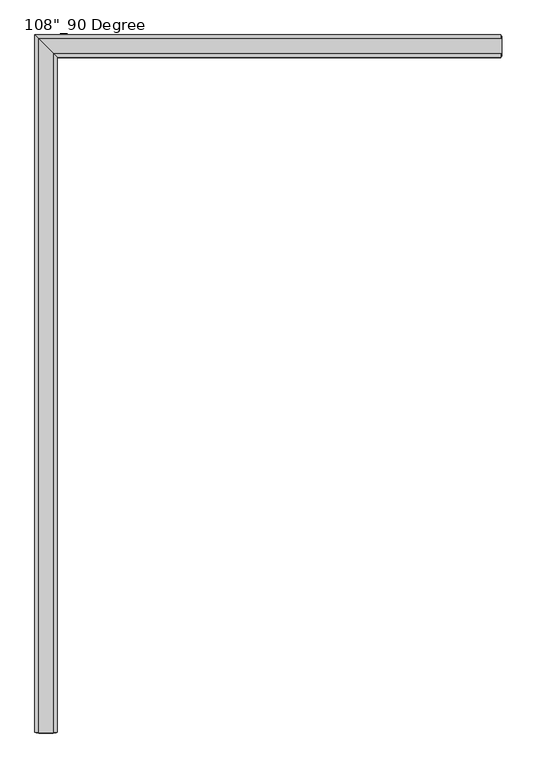
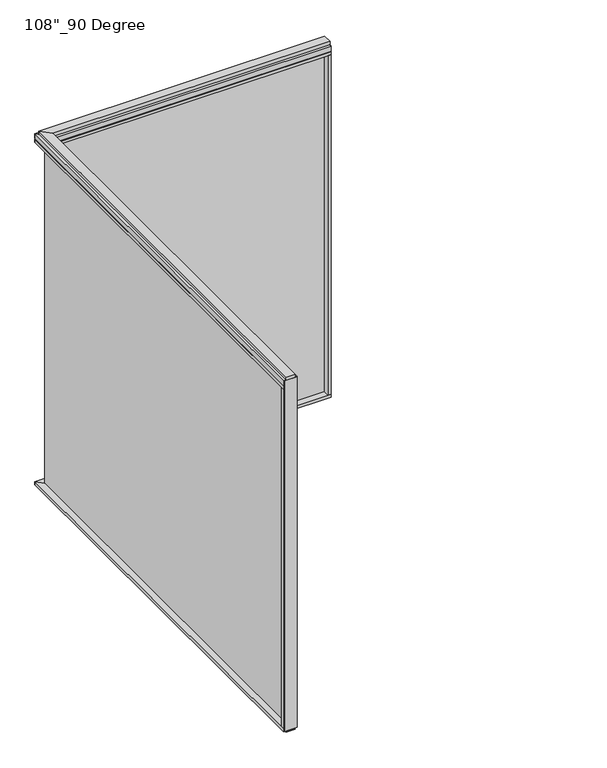
"""IFC4 building model written with IfcOpenShell, lengths in millimetres: furniture geometry."""

from ifc_helpers import new_model, si_unit, frame, origin, origin_with_axes, place, context, project, spatial, polyline, outline, extrude, faceted_brep, source, transform, mapped, element, save


def furniture_07d1930f(model_context):
    return source(origin(), model_context, "Body", "SolidModel", [
        extrude(outline(polyline([(-1233.5165229, -3068.1202784), (-1233.5165229, 9.5977216), (-1223.3565229, 9.5977216), (-1223.3565229, -3068.1202784), (-1233.5165229, -3068.1202784)])), frame((0.0, 0.0, 31.75), z_axis=(0.0, 0.0, 1.0), x_axis=(1.0, 0.0, 0.0)), (0.0, 0.0, 1.0), 2622.55),
        extrude(outline(polyline([(-1177.6365229, -3090.3452784), (-1279.2365229, -3090.3452784), (-1279.2365229, 55.3177216), (-1177.6365229, -46.2822784), (-1177.6365229, -3090.3452784)])), frame((0.0, 0.0, 2654.3), z_axis=(0.0, 0.0, 1.0), x_axis=(1.0, 0.0, 0.0)), (0.0, 0.0, 1.0), 22.225),
        faceted_brep([(-1177.6365229, -46.2822784, 2681.478), (-1182.5895229, -41.3292784, 2681.478), (-1182.5895229, -41.3292784, 2676.525), (-1274.2835229, 50.3647216, 2676.525), (-1274.2835229, 50.3647216, 2681.478), (-1279.2365229, 55.3177216, 2681.478), (-1279.2365229, 55.3177216, 2717.8), (-1177.6365229, -46.2822784, 2717.8), (-1177.6365229, -3090.3452784, 2681.478), (-1177.6365229, -3090.3452784, 2717.8), (-1279.2365229, -3090.3452784, 2717.8), (-1279.2365229, -3090.3452784, 2681.478), (-1274.2835229, -3090.3452784, 2681.478), (-1274.2835229, -3090.3452784, 2676.525), (-1182.5895229, -3090.3452784, 2676.525), (-1182.5895229, -3090.3452784, 2681.478)], [[[0, 1, 2, 3, 4, 5, 6, 7]], [[8, 9, 10, 11, 12, 13, 14, 15]], [[8, 15, 1, 0]], [[11, 10, 6, 5]], [[10, 9, 7, 6]], [[9, 8, 0, 7]], [[15, 14, 2, 1]], [[14, 13, 3, 2]], [[13, 12, 4, 3]], [[12, 11, 5, 4]]]),
        extrude(outline(polyline([(-1195.9245229, -3094.2822784), (-1260.9485229, -3094.2822784), (-1260.9485229, 37.0297216), (-1195.9245229, -27.9942784), (-1195.9245229, -3094.2822784)])), frame((0.0, 0.0, 2717.8), z_axis=(0.0, 0.0, 1.0), x_axis=(1.0, 0.0, 0.0)), (0.0, 0.0, 1.0), 25.4),
        extrude(outline(polyline([(-1177.6365229, -3090.3452784), (-1279.2365229, -3090.3452784), (-1279.2365229, 55.3177216), (-1177.6365229, -46.2822784), (-1177.6365229, -3090.3452784)])), frame((0.0, 0.0, 9.525), z_axis=(0.0, 0.0, 1.0), x_axis=(1.0, 0.0, 0.0)), (0.0, 0.0, 1.0), 22.225),
        extrude(outline(polyline([(-1195.7340229, -3094.2822784), (-1261.1390229, -3094.2822784), (-1261.1390229, 37.2202216), (-1195.7340229, -28.1847784), (-1195.7340229, -3094.2822784)])), origin_with_axes(), (0.0, 0.0, 1.0), 9.525),
        extrude(outline(polyline([(-1279.2365229, -3068.1202784), (-1177.6365229, -3068.1202784), (-1177.6365229, -3090.3452784), (-1279.2365229, -3090.3452784), (-1279.2365229, -3068.1202784)])), frame((0.0, 0.0, 31.75), z_axis=(0.0, 0.0, 1.0), x_axis=(1.0, 0.0, 0.0)), (0.0, 0.0, 1.0), 2622.55),
        extrude(outline(polyline([(-1274.2835229, -3094.2822784), (-1274.2835229, -3090.3452784), (-1182.5895229, -3090.3452784), (-1182.5895229, -3094.2822784), (-1274.2835229, -3094.2822784)])), frame((0.0, 0.0, 9.525), z_axis=(0.0, 0.0, 1.0), x_axis=(1.0, 0.0, 0.0)), (0.0, 0.0, 1.0), 2708.275),
        extrude(outline(polyline([(802.8014771, 9.5977216), (802.8014771, -0.5622784), (-1233.5165229, -0.5622784), (-1233.5165229, 9.5977216), (802.8014771, 9.5977216)])), frame((0.0, 0.0, 31.75), z_axis=(0.0, 0.0, 1.0), x_axis=(1.0, 0.0, 0.0)), (0.0, 0.0, 1.0), 2622.55),
        extrude(outline(polyline([(825.0264771, -46.2822784), (-1177.6365229, -46.2822784), (-1279.2365229, 55.3177216), (825.0264771, 55.3177216), (825.0264771, -46.2822784)])), frame((0.0, 0.0, 2654.3), z_axis=(0.0, 0.0, 1.0), x_axis=(1.0, 0.0, 0.0)), (0.0, 0.0, 1.0), 22.225),
        faceted_brep([(-1177.6365229, -46.2822784, 2681.478), (-1177.6365229, -46.2822784, 2717.8), (-1279.2365229, 55.3177216, 2717.8), (-1279.2365229, 55.3177216, 2681.478), (-1274.2835229, 50.3647216, 2681.478), (-1274.2835229, 50.3647216, 2676.525), (-1182.5895229, -41.3292784, 2676.525), (-1182.5895229, -41.3292784, 2681.478), (825.0264771, -46.2822784, 2681.478), (825.0264771, -41.3292784, 2681.478), (825.0264771, -41.3292784, 2676.525), (825.0264771, 50.3647216, 2676.525), (825.0264771, 50.3647216, 2681.478), (825.0264771, 55.3177216, 2681.478), (825.0264771, 55.3177216, 2717.8), (825.0264771, -46.2822784, 2717.8)], [[[0, 1, 2, 3, 4, 5, 6, 7]], [[8, 9, 10, 11, 12, 13, 14, 15]], [[8, 0, 7, 9]], [[13, 3, 2, 14]], [[14, 2, 1, 15]], [[15, 1, 0, 8]], [[9, 7, 6, 10]], [[10, 6, 5, 11]], [[11, 5, 4, 12]], [[12, 4, 3, 13]]]),
        extrude(outline(polyline([(828.9634771, -27.9942784), (-1195.9245229, -27.9942784), (-1260.9485229, 37.0297216), (828.9634771, 37.0297216), (828.9634771, -27.9942784)])), frame((0.0, 0.0, 2717.8), z_axis=(0.0, 0.0, 1.0), x_axis=(1.0, 0.0, 0.0)), (0.0, 0.0, 1.0), 25.4),
        extrude(outline(polyline([(825.0264771, -46.2822784), (-1177.6365229, -46.2822784), (-1279.2365229, 55.3177216), (825.0264771, 55.3177216), (825.0264771, -46.2822784)])), frame((0.0, 0.0, 9.525), z_axis=(0.0, 0.0, 1.0), x_axis=(1.0, 0.0, 0.0)), (0.0, 0.0, 1.0), 22.225),
        extrude(outline(polyline([(828.9634771, -28.1847784), (-1195.7340229, -28.1847784), (-1261.1390229, 37.2202216), (828.9634771, 37.2202216), (828.9634771, -28.1847784)])), origin_with_axes(), (0.0, 0.0, 1.0), 9.525),
        extrude(outline(polyline([(802.8014771, 55.3177216), (825.0264771, 55.3177216), (825.0264771, -46.2822784), (802.8014771, -46.2822784), (802.8014771, 55.3177216)])), frame((0.0, 0.0, 31.75), z_axis=(0.0, 0.0, 1.0), x_axis=(1.0, 0.0, 0.0)), (0.0, 0.0, 1.0), 2622.55),
        extrude(outline(polyline([(828.9634771, 50.3647216), (828.9634771, -41.3292784), (825.0264771, -41.3292784), (825.0264771, 50.3647216), (828.9634771, 50.3647216)])), frame((0.0, 0.0, 9.525), z_axis=(0.0, 0.0, 1.0), x_axis=(1.0, 0.0, 0.0)), (0.0, 0.0, 1.0), 2708.275),
    ])


if __name__ == "__main__":
    model = new_model("IFC4")
    model_context = context("Model", 3, world=origin())
    ifc_project = project(units=[si_unit("LENGTHUNIT", "METRE", prefix="MILLI")], contexts=[model_context])
    site = spatial("IfcSite", under=ifc_project)
    building = spatial("IfcBuilding", under=site)
    placement = place(None, origin())
    furniture_shape = furniture_07d1930f(model_context)
    element("IfcFurniture", 1, ObjectType="108\"_90 Degree", at=placement, inside=building, context=model_context, shape_type="MappedRepresentation", body=[
        mapped(furniture_shape, transform((0.0, 0.0, 0.0), x_axis=(1.0, 0.0, 0.0), y_axis=(0.0, 1.0, 0.0), z_axis=(0.0, 0.0, 1.0))),
    ])
    save(model, "model.ifc")
